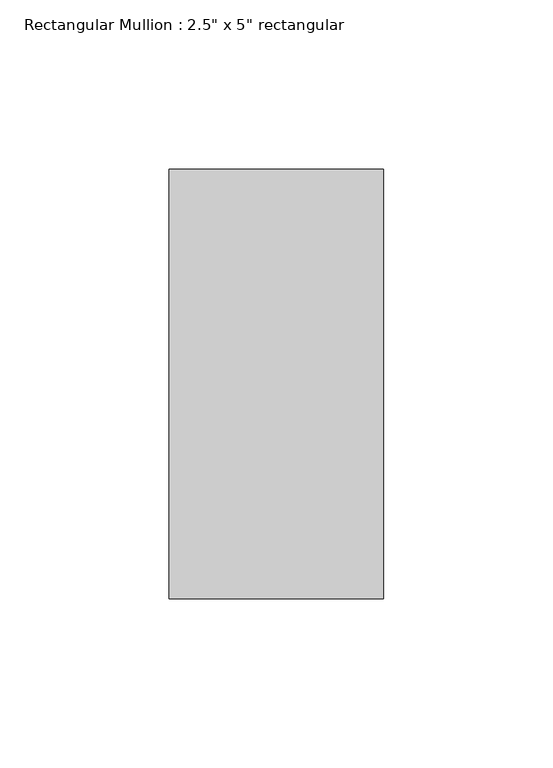
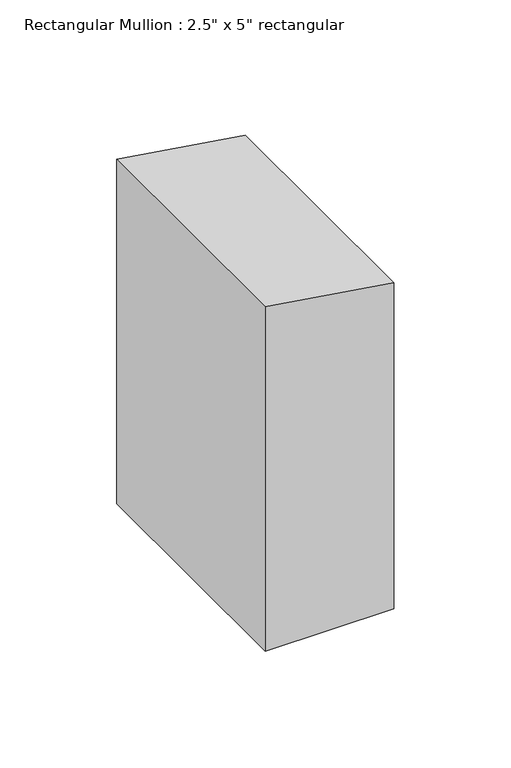
"""IFC4 building model written with IfcOpenShell, lengths in millimetres: member geometry."""

from ifc_helpers import new_model, si_unit, frame, origin, place, context, project, spatial, polyline, outline, extrude, source, transform, mapped, element, save


def member_ba0213d2(model_context):
    return source(origin(), model_context, "Body", "SweptSolid", [
        extrude(outline(polyline([(0.0, 0.0), (9.515626, -63.5), (-170.1815522, -63.5), (-170.1815522, 0.0), (0.0, 0.0)])), frame((0.0, -63.5, 0.0), z_axis=(0.0, 1.0, 0.0), x_axis=(0.0, 0.0, 1.0)), (0.0, 0.0, 1.0), 127.0),
    ])


if __name__ == "__main__":
    model = new_model("IFC4")
    model_context = context("Model", 3, world=origin())
    ifc_project = project(units=[si_unit("LENGTHUNIT", "METRE", prefix="MILLI")], contexts=[model_context])
    site = spatial("IfcSite", under=ifc_project)
    building = spatial("IfcBuilding", under=site)
    placement = place(None, origin())
    member_shape = member_ba0213d2(model_context)
    element("IfcMember", 1, ObjectType="Rectangular Mullion : 2.5\" x 5\" rectangular", at=placement, inside=building, context=model_context, shape_type="MappedRepresentation", body=[
        mapped(member_shape, transform((0.0, 0.0, 0.0), x_axis=(1.0, 0.0, 0.0), y_axis=(0.0, 1.0, 0.0), z_axis=(0.0, 0.0, 1.0))),
    ])
    save(model, "model.ifc")
